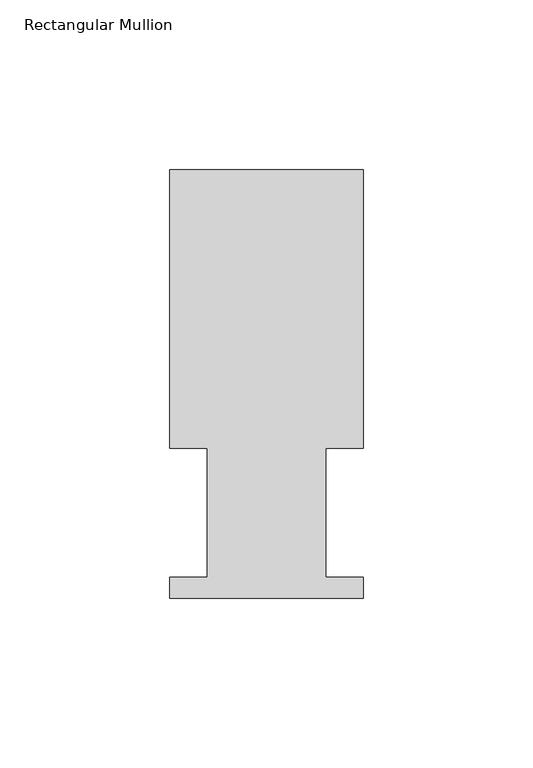
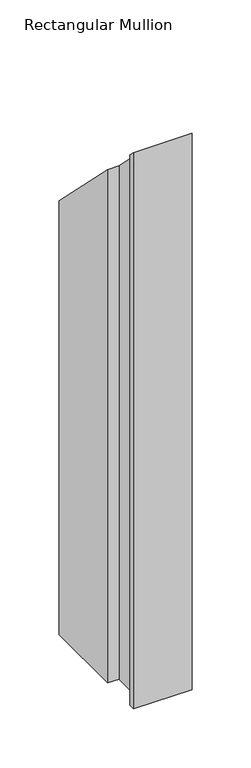
"""IFC4 building model written with IfcOpenShell, lengths in millimetres: member geometry, Rectangular Mullion."""

from ifc_helpers import new_model, si_unit, origin, place, context, project, spatial, faceted_brep, source, transform, mapped, element, save


def rectangular_mullion_3fd268e4(model_context):
    return source(origin(), model_context, "Body", "Brep", [
        faceted_brep([(0.0, 126.619, -574.675), (0.0, 44.45, -574.675), (-11.1120704, 44.45, -574.675), (-11.1120704, 6.35, -574.675), (0.0, 6.35, -574.675), (0.0, 0.2798837, -574.675), (-57.15, 0.2798837, -574.675), (-57.15, 6.35, -574.675), (-46.0370705, 6.35, -574.675), (-46.0370705, 44.45, -574.675), (-57.15, 44.45, -574.675), (-57.15, 126.619, -574.675), (-57.15, 126.619, -126.619), (0.0, 126.619, -126.619), (-57.15, 44.45, -44.45), (-46.0370705, 44.45, -44.45), (-46.0370705, 6.35, -6.35), (-57.15, 6.35, -6.35), (-57.15, 0.2798837, -0.2798837), (0.0, 0.2798837, -0.2798837), (0.0, 6.35, -6.35), (-11.1120704, 6.35, -6.35), (-11.1120704, 44.45, -44.45), (0.0, 44.45, -44.45)], [[[0, 1, 2, 3, 4, 5, 6, 7, 8, 9, 10, 11]], [[12, 13, 0, 11]], [[14, 12, 11, 10]], [[15, 14, 10, 9]], [[16, 15, 9, 8]], [[17, 16, 8, 7]], [[18, 17, 7, 6]], [[19, 18, 6, 5]], [[20, 19, 5, 4]], [[21, 20, 4, 3]], [[22, 21, 3, 2]], [[23, 22, 2, 1]], [[13, 23, 1, 0]], [[13, 12, 14, 15, 16, 17, 18, 19, 20, 21, 22, 23]]]),
    ])


if __name__ == "__main__":
    model = new_model("IFC4")
    model_context = context("Model", 3, world=origin())
    ifc_project = project(units=[si_unit("LENGTHUNIT", "METRE", prefix="MILLI")], contexts=[model_context])
    site = spatial("IfcSite", under=ifc_project)
    building = spatial("IfcBuilding", under=site)
    placement = place(None, origin())
    rectangular_mullion_shape = rectangular_mullion_3fd268e4(model_context)
    element("IfcMember", 1, ObjectType="Rectangular Mullion", at=placement, inside=building, context=model_context, shape_type="MappedRepresentation", body=[
        mapped(rectangular_mullion_shape, transform((0.0, 0.0, 0.0), x_axis=(1.0, 0.0, 0.0), y_axis=(0.0, 1.0, 0.0), z_axis=(0.0, 0.0, 1.0))),
    ])
    save(model, "model.ifc")
